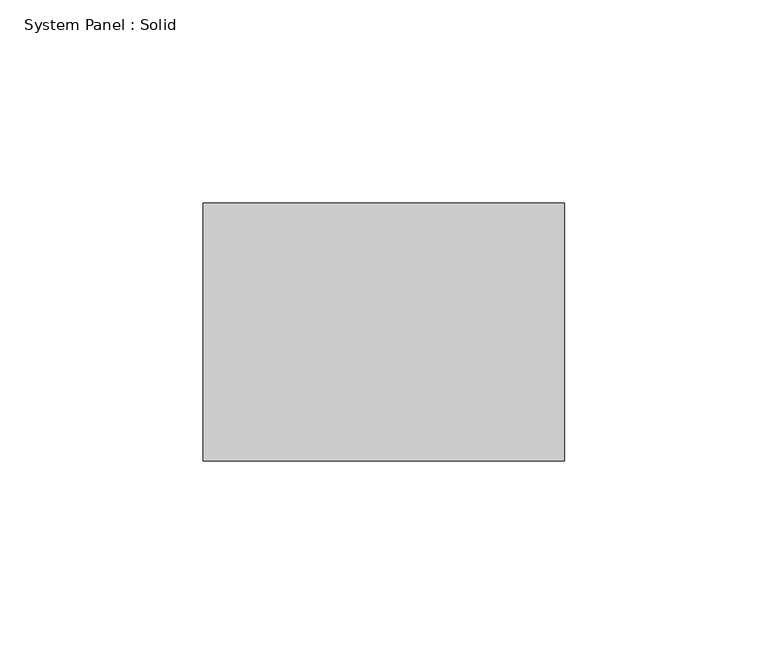
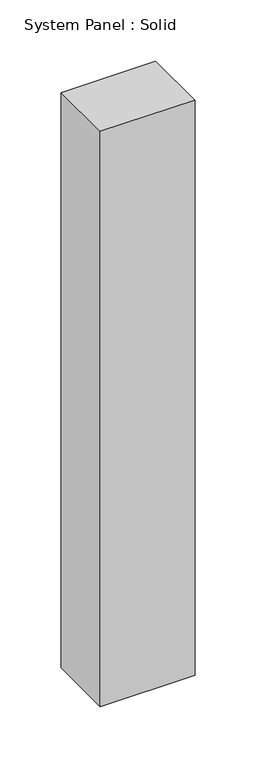
"""IFC4 building model written with IfcOpenShell, lengths in millimetres: plate geometry, System Panel : Solid."""

from ifc_helpers import new_model, si_unit, origin, origin_with_axes, place, context, project, spatial, polyline, outline, extrude, source, transform, mapped, element, save


def system_panel_solid_5b1c1be3(model_context):
    return source(origin(), model_context, "Body", "SweptSolid", [
        extrude(outline(polyline([(44.45, -19.05), (-44.45, -19.05), (-44.45, 44.45), (44.45, 44.45), (44.45, -19.05)])), origin_with_axes(), (0.0, 0.0, 1.0), 571.5),
    ])


if __name__ == "__main__":
    model = new_model("IFC4")
    model_context = context("Model", 3, world=origin())
    ifc_project = project(units=[si_unit("LENGTHUNIT", "METRE", prefix="MILLI")], contexts=[model_context])
    site = spatial("IfcSite", under=ifc_project)
    building = spatial("IfcBuilding", under=site)
    placement = place(None, origin())
    system_panel_solid_shape = system_panel_solid_5b1c1be3(model_context)
    element("IfcPlate", 1, ObjectType="System Panel : Solid", at=placement, inside=building, context=model_context, shape_type="MappedRepresentation", body=[
        mapped(system_panel_solid_shape, transform((0.0, 0.0, 0.0), x_axis=(1.0, 0.0, 0.0), y_axis=(0.0, 1.0, 0.0), z_axis=(0.0, 0.0, 1.0))),
    ])
    save(model, "model.ifc")
